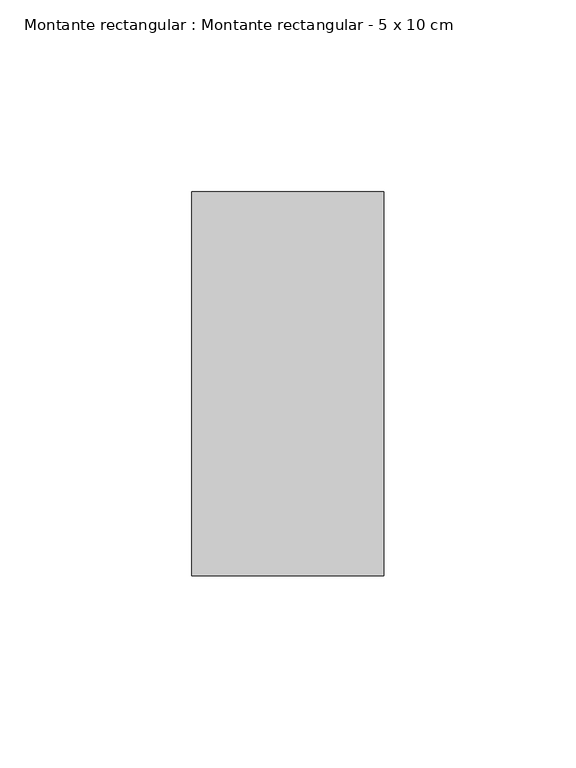
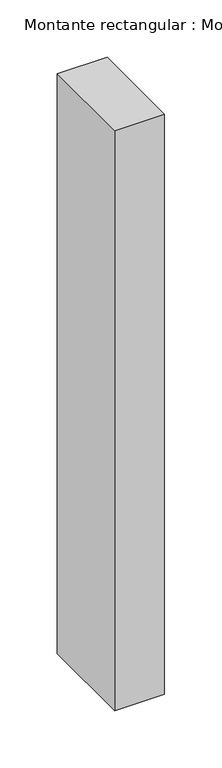
"""IFC4 building model written with IfcOpenShell, lengths in millimetres: member geometry, Montante rectangular : Montante rectangular - 5 x 10 cm."""

import ifcopenshell
import ifcopenshell.guid

model = None  # the IFC model being written
_history = None  # IfcOwnerHistory: only IFC2X3 demands one
_inside = {}  # id of a spatial element -> (the spatial element, [elements in it])
_under = {}  # id of a project, library or spatial element -> (it, [spatial elements below it])
_declared = {}  # id of a project -> (the project, [libraries it declares])
_typed = {}  # id of a type object -> (the type object, [elements of that type])
_made_of = {}  # id of a material, layer set ... -> (it, [elements and type objects made of it])


def new_model(schema):
    """Start an empty IFC model of exactly this schema.

    Asked for "IFC4X3", IfcOpenShell would pick the latest addendum, in which some entities
    have other attributes; the version numbers below select the first issue.
    IFC2X3 requires an IfcOwnerHistory on every rooted entity: one is made here for all.
    """
    global model, _history
    if schema == "IFC4X3":
        model = ifcopenshell.file(schema_version=(4, 3, 0, 0))
    else:
        model = ifcopenshell.file(schema=schema)
    _inside.clear()
    _under.clear()
    _declared.clear()
    _typed.clear()
    _made_of.clear()
    _history = None
    if model.schema == "IFC2X3":
        org = make("IfcOrganization", Name="unknown")
        user = make(
            "IfcPersonAndOrganization",
            ThePerson=make("IfcPerson", FamilyName="unknown"),
            TheOrganization=org,
        )
        app = make(
            "IfcApplication",
            ApplicationDeveloper=org,
            Version="unknown",
            ApplicationFullName="unknown",
            ApplicationIdentifier="unknown",
        )
        _history = make(
            "IfcOwnerHistory",
            OwningUser=user,
            OwningApplication=app,
            ChangeAction="ADDED",
            CreationDate=0,
        )
    return model


def make(cls, **values):
    """One entity of the class cls with the attributes given. An attribute that is None is left unset."""
    return model.create_entity(
        cls, **{name: value for name, value in values.items() if value is not None}
    )


def rooted(cls, **values):
    """An entity with a GlobalId (a new one), such as an element, a storey or a relation."""
    return make(cls, GlobalId=ifcopenshell.guid.new(), OwnerHistory=_history, **values)


def si_unit(unit_type, name, prefix=None):
    """IfcSIUnit, for example si_unit("LENGTHUNIT", "METRE", prefix="MILLI")."""
    return make("IfcSIUnit", UnitType=unit_type, Prefix=prefix, Name=name)


def assignment(units):
    """IfcUnitAssignment: the units of a project."""
    return None if units is None else make("IfcUnitAssignment", Units=units)


def point(xyz):
    """IfcCartesianPoint."""
    return None if xyz is None else make("IfcCartesianPoint", Coordinates=xyz)


def direction(xyz):
    """IfcDirection."""
    return None if xyz is None else make("IfcDirection", DirectionRatios=xyz)


def frame(location, z_axis=None, x_axis=None):
    """IfcAxis2Placement3D, a coordinate frame: its origin and axes. An axis left out is left unset."""
    return make(
        "IfcAxis2Placement3D",
        Location=point(location),
        Axis=direction(z_axis),
        RefDirection=direction(x_axis),
    )


def origin():
    """The frame at (0, 0, 0) with its axes left unset."""
    return frame((0.0, 0.0, 0.0))


def place(relative_to, where):
    """IfcLocalPlacement: puts the frame where relative to a parent placement (None: the world)."""
    return make(
        "IfcLocalPlacement", PlacementRelTo=relative_to, RelativePlacement=where
    )


def context(
    kind, dimensions, precision=None, world=None, true_north=None, identifier=None
):
    """IfcGeometricRepresentationContext, for example the 3D "Model" context."""
    return make(
        "IfcGeometricRepresentationContext",
        ContextIdentifier=identifier,
        ContextType=kind,
        CoordinateSpaceDimension=dimensions,
        Precision=precision,
        WorldCoordinateSystem=world,
        TrueNorth=true_north,
    )


def project(units=None, contexts=None):
    """IfcProject with its units and contexts."""
    return rooted(
        "IfcProject",
        Name="project",
        RepresentationContexts=contexts,
        UnitsInContext=assignment(units),
    )


def spatial(cls, under=None, at=None, **own):
    """A site, building, storey or space (cls), placed at a placement, below another one or the project."""
    s = rooted(cls, ObjectPlacement=at, **own)
    if under is not None:
        _under.setdefault(under.id(), (under, []))[1].append(s)
    return s


def polyline(points):
    """IfcPolyline through the points."""
    return make("IfcPolyline", Points=[point(p) for p in points])


def outline(outer, holes=None, kind="AREA"):
    """IfcArbitraryClosedProfileDef: a profile drawn as a closed curve; with holes, ...WithVoids."""
    if holes is None:
        return make("IfcArbitraryClosedProfileDef", ProfileType=kind, OuterCurve=outer)
    return make(
        "IfcArbitraryProfileDefWithVoids",
        ProfileType=kind,
        OuterCurve=outer,
        InnerCurves=holes,
    )


def extrude(swept, where, along, depth):
    """IfcExtrudedAreaSolid: the profile swept, set in the frame where, extruded along a direction by depth."""
    return make(
        "IfcExtrudedAreaSolid",
        SweptArea=swept,
        Position=where,
        ExtrudedDirection=direction(along),
        Depth=depth,
    )


def shape(context_of_items, identifier, shape_type, items):
    """IfcShapeRepresentation: the items that make up one representation, for example the "Body"."""
    return make(
        "IfcShapeRepresentation",
        ContextOfItems=context_of_items,
        RepresentationIdentifier=identifier,
        RepresentationType=shape_type,
        Items=items,
    )


def source(mapping_origin, context_of_items, identifier, shape_type, items):
    """IfcRepresentationMap: a shape defined once, which mapped items show again and again."""
    return make(
        "IfcRepresentationMap",
        MappingOrigin=mapping_origin,
        MappedRepresentation=shape(context_of_items, identifier, shape_type, items),
    )


def transform(
    local_origin,
    x_axis=None,
    y_axis=None,
    z_axis=None,
    scale=None,
    scale2=None,
    scale3=None,
    uniform=True,
):
    """IfcCartesianTransformationOperator3D, or its non-uniform kind. x_axis, y_axis, z_axis: its Axis1, 2, 3."""
    if uniform:
        return make(
            "IfcCartesianTransformationOperator3D",
            Axis1=direction(x_axis),
            Axis2=direction(y_axis),
            LocalOrigin=point(local_origin),
            Scale=scale,
            Axis3=direction(z_axis),
        )
    return make(
        "IfcCartesianTransformationOperator3DnonUniform",
        Axis1=direction(x_axis),
        Axis2=direction(y_axis),
        LocalOrigin=point(local_origin),
        Scale=scale,
        Axis3=direction(z_axis),
        Scale2=scale2,
        Scale3=scale3,
    )


def mapped(mapping_source, mapping_target):
    """IfcMappedItem: shows the shape of a source again, moved by a transform."""
    return make(
        "IfcMappedItem", MappingSource=mapping_source, MappingTarget=mapping_target
    )


def made_of(thing, what):
    """Note that an element or type object is made of a material, layer set ...; save() writes the relation."""
    if what is not None:
        _made_of.setdefault(what.id(), (what, []))[1].append(thing)
    return thing


def element(
    cls,
    number,
    at=None,
    inside=None,
    cuts=None,
    type_object=None,
    material=None,
    context=None,
    identifier="Body",
    shape_type=None,
    held_by="IfcProductDefinitionShape",
    body=None,
    shapes=None,
    **own,
):
    """One element of the class cls, such as IfcWall. Its Tag is "e" and its number.

    at: its placement. inside: the storey or other place that contains it. cuts: it is an
    opening in that element (IfcRelVoidsElement). A single representation is given by context,
    identifier, shape_type and body (its items); several are given by shapes. held_by: the class
    of the entity that holds the representations. save() writes the other relations.
    """
    e = rooted(cls, Tag="e%d" % number, ObjectPlacement=at, **own)
    if body is not None:
        shapes = [shape(context, identifier, shape_type, body)]
    if shapes is not None:
        e.Representation = make(held_by, Representations=shapes)
    if inside is not None:
        _inside.setdefault(inside.id(), (inside, []))[1].append(e)
    if cuts is not None:
        rooted(
            "IfcRelVoidsElement", RelatingBuildingElement=cuts, RelatedOpeningElement=e
        )
    if type_object is not None:
        _typed.setdefault(type_object.id(), (type_object, []))[1].append(e)
    return made_of(e, material)


def aggregate(whole, parts):
    """IfcRelAggregates: a whole, such as a stair, and the parts it consists of."""
    return rooted("IfcRelAggregates", RelatingObject=whole, RelatedObjects=parts)


def save(model, path):
    """Write the relations noted so far, then the file.

    IfcRelAggregates (storeys below a building ...), IfcRelContainedInSpatialStructure (elements
    in a storey), IfcRelDefinesByType, IfcRelAssociatesMaterial and IfcRelDeclares: one each for
    every whole, place, type object, material and project.
    """
    for whole, parts in _under.values():
        aggregate(whole, parts)
    for where, things in _inside.values():
        rooted(
            "IfcRelContainedInSpatialStructure",
            RelatedElements=things,
            RelatingStructure=where,
        )
    for kind, things in _typed.values():
        rooted("IfcRelDefinesByType", RelatedObjects=things, RelatingType=kind)
    for what, things in _made_of.values():
        rooted("IfcRelAssociatesMaterial", RelatedObjects=things, RelatingMaterial=what)
    for by, libraries in _declared.values():
        rooted("IfcRelDeclares", RelatingContext=by, RelatedDefinitions=libraries)
    model.write(path)


def montante_rectangular_montante_rectangular_5_x_10_cm_ea4fb19d(model_context):
    return source(origin(), model_context, "Body", "SweptSolid", [
        extrude(outline(polyline([(0.0, 50.0), (0.0, -50.0), (-50.0, -50.0), (-50.0, 50.0), (0.0, 50.0)])), frame((0.0, 0.0, -617.0), z_axis=(0.0, 0.0, 1.0), x_axis=(1.0, 0.0, 0.0)), (0.0, 0.0, 1.0), 617.0),
    ])


if __name__ == "__main__":
    model = new_model("IFC4")
    model_context = context("Model", 3, world=origin())
    ifc_project = project(units=[si_unit("LENGTHUNIT", "METRE", prefix="MILLI")], contexts=[model_context])
    site = spatial("IfcSite", under=ifc_project)
    building = spatial("IfcBuilding", under=site)
    placement = place(None, origin())
    montante_rectangular_montante_rectangular_5_x_10_cm_shape = montante_rectangular_montante_rectangular_5_x_10_cm_ea4fb19d(model_context)
    element("IfcMember", 1, ObjectType="Montante rectangular : Montante rectangular - 5 x 10 cm", at=placement, inside=building, context=model_context, shape_type="MappedRepresentation", body=[
        mapped(montante_rectangular_montante_rectangular_5_x_10_cm_shape, transform((0.0, 0.0, 0.0), x_axis=(1.0, 0.0, 0.0), y_axis=(0.0, 1.0, 0.0), z_axis=(0.0, 0.0, 1.0))),
    ])
    save(model, "model.ifc")
